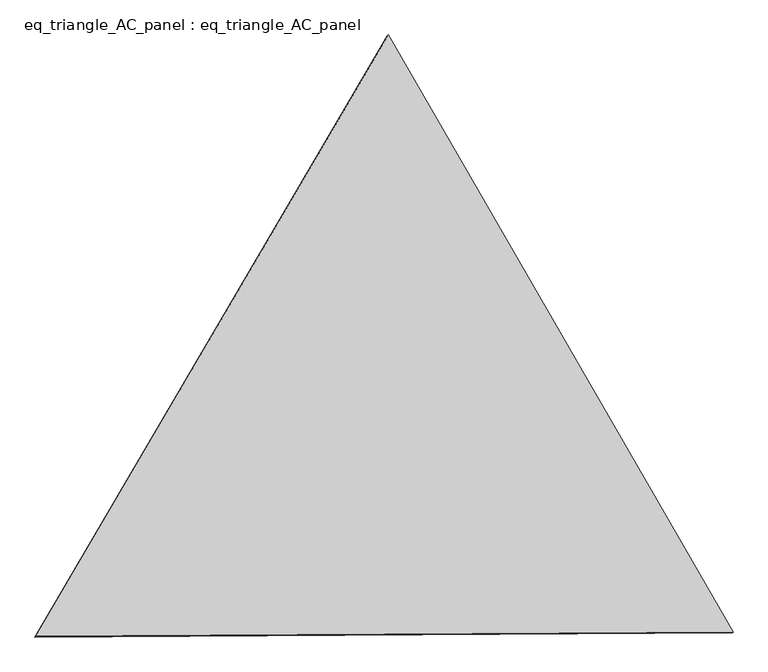
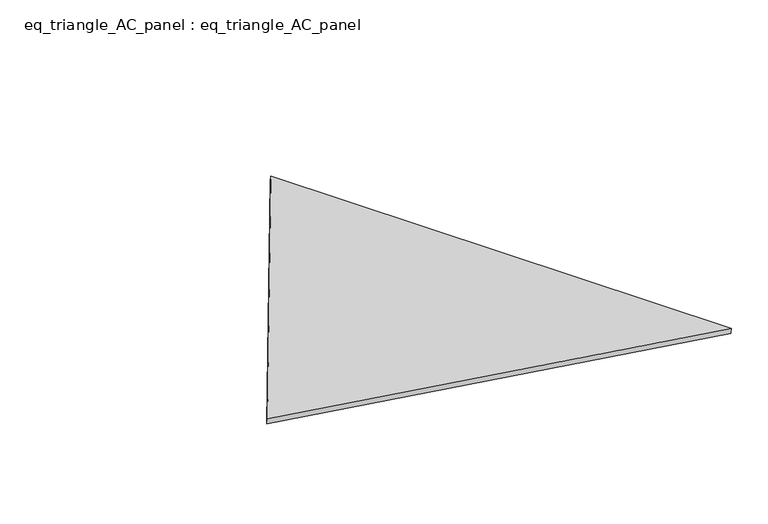
"""IFC4 building model written with IfcOpenShell, lengths in millimetres: proxy geometry, eq_triangle_AC_panel : eq_triangle_AC_panel."""

from ifc_helpers import new_model, si_unit, frame, origin, place, context, project, spatial, polyline, outline, extrude, source, transform, mapped, element, save


def eq_triangle_ac_panel_eq_triangle_ac_panel_1155009a(model_context):
    return source(origin(), model_context, "Body", "SweptSolid", [
        extrude(outline(polyline([(-2017.7988214, 1198.8701089), (2017.9481965, 1198.8701089), (-0.1493753, -2397.7402177), (-2017.7988214, 1198.8701089)])), frame((0.0038051, 527.9290861, 89.8240019), z_axis=(0.14526328518058165, 0.08386570281802179, 0.9858321976225896), x_axis=(0.5000559562313112, -0.865993094933728, -1.2833253100220928e-05)), (0.0, 0.0, 1.0), 43.8306294),
    ])


if __name__ == "__main__":
    model = new_model("IFC4")
    model_context = context("Model", 3, world=origin())
    ifc_project = project(units=[si_unit("LENGTHUNIT", "METRE", prefix="MILLI")], contexts=[model_context])
    site = spatial("IfcSite", under=ifc_project)
    building = spatial("IfcBuilding", under=site)
    placement = place(None, origin())
    eq_triangle_ac_panel_eq_triangle_ac_panel_shape = eq_triangle_ac_panel_eq_triangle_ac_panel_1155009a(model_context)
    element("IfcBuildingElementProxy", 1, Name="eq_triangle_AC_panel : eq_triangle_AC_panel", ObjectType="eq_triangle_AC_panel : eq_triangle_AC_panel", at=placement, inside=building, context=model_context, shape_type="MappedRepresentation", body=[
        mapped(eq_triangle_ac_panel_eq_triangle_ac_panel_shape, transform((0.0, 0.0, 0.0), x_axis=(1.0, 0.0, 0.0), y_axis=(0.0, 1.0, 0.0), z_axis=(0.0, 0.0, 1.0))),
    ])
    save(model, "model.ifc")
